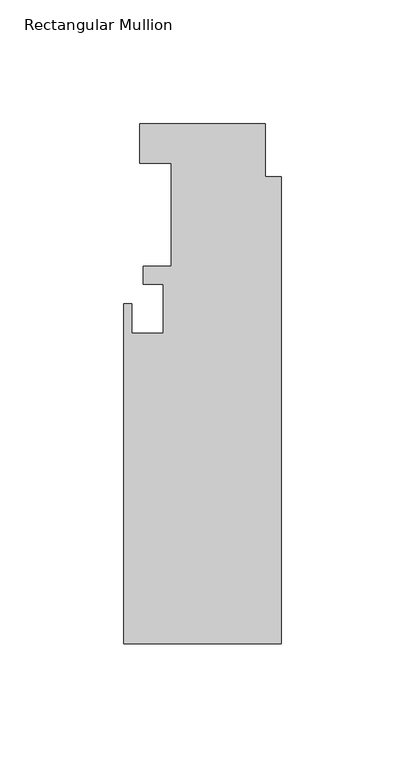
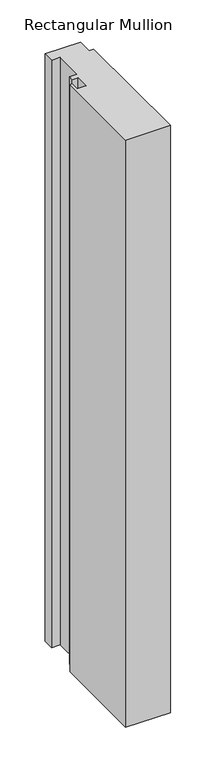
"""IFC4 building model written with IfcOpenShell, lengths in millimetres: member geometry, Rectangular Mullion."""

from ifc_helpers import new_model, si_unit, frame, origin, place, context, project, spatial, polyline, outline, extrude, source, transform, mapped, element, save


def rectangular_mullion_9b9afc43(model_context):
    return source(origin(), model_context, "Body", "SweptSolid", [
        extrude(outline(polyline([(-6.35, 20.6756), (-6.35, -0.6096), (0.0, -0.6096), (0.0, -189.2554), (-63.5, -189.2554), (-63.5, -51.9176), (-60.325, -51.9176), (-60.325, -63.8302), (-47.625, -63.8302), (-47.625, -44.0182), (-55.5752, -44.0182), (-55.5752, -36.8554), (-44.45, -36.8554), (-44.45, 4.8006), (-57.15, 4.8006), (-57.15, 20.6756), (-6.35, 20.6756)])), frame((0.0, 0.0, -882.5908534), z_axis=(0.0, 0.0, 1.0), x_axis=(1.0, 0.0, 0.0)), (0.0, 0.0, 1.0), 882.5908534),
    ])


if __name__ == "__main__":
    model = new_model("IFC4")
    model_context = context("Model", 3, world=origin())
    ifc_project = project(units=[si_unit("LENGTHUNIT", "METRE", prefix="MILLI")], contexts=[model_context])
    site = spatial("IfcSite", under=ifc_project)
    building = spatial("IfcBuilding", under=site)
    placement = place(None, origin())
    rectangular_mullion_shape = rectangular_mullion_9b9afc43(model_context)
    element("IfcMember", 1, ObjectType="Rectangular Mullion", at=placement, inside=building, context=model_context, shape_type="MappedRepresentation", body=[
        mapped(rectangular_mullion_shape, transform((0.0, 0.0, 0.0), x_axis=(1.0, 0.0, 0.0), y_axis=(0.0, 1.0, 0.0), z_axis=(0.0, 0.0, 1.0))),
    ])
    save(model, "model.ifc")
